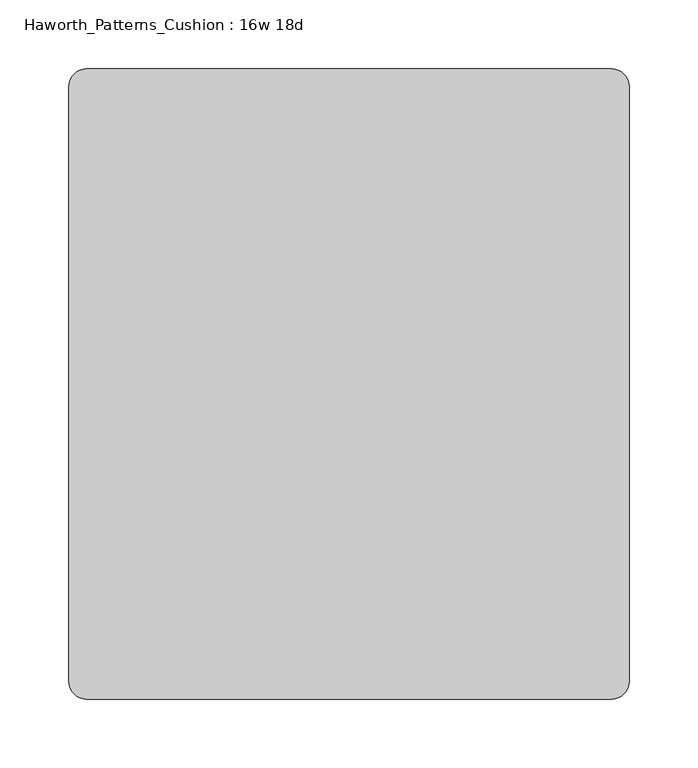
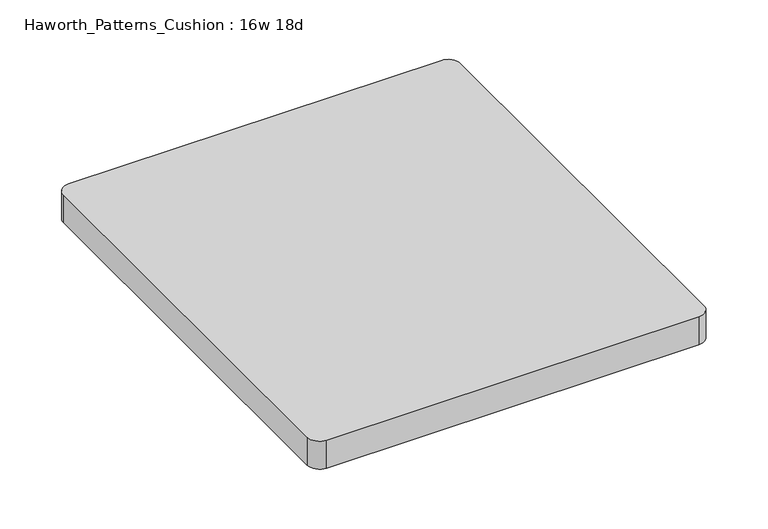
"""IFC4 building model written with IfcOpenShell, lengths in millimetres: furniture geometry, Haworth_Patterns_Cushion : 16w 18d."""

from ifc_helpers import new_model, si_unit, point, frame, frame_2d, origin, place, context, project, spatial, polyline, circle_curve, trimmed, segment, composite_curve, outline, extrude, source, transform, mapped, element, save


def haworth_patterns_cushion_16w_18d_20fc81c3(model_context):
    return source(origin(), model_context, "Body", "SweptSolid", [
        extrude(outline(composite_curve([segment(trimmed(circle_curve(frame_2d((190.5, 215.9)), 12.7), [point((190.5, 228.6))], [point((203.2, 215.9))], False, "CARTESIAN"), True, "CONTINUOUS"), segment(polyline([(203.2, 215.9), (203.2, -215.9)]), True, "CONTINUOUS"), segment(trimmed(circle_curve(frame_2d((190.5, -215.9)), 12.7), [point((203.2, -215.9))], [point((190.5, -228.6))], False, "CARTESIAN"), True, "CONTINUOUS"), segment(polyline([(190.5, -228.6), (-190.5, -228.6)]), True, "CONTINUOUS"), segment(trimmed(circle_curve(frame_2d((-190.5, -215.9)), 12.7), [point((-190.5, -228.6))], [point((-203.2, -215.9))], False, "CARTESIAN"), True, "CONTINUOUS"), segment(polyline([(-203.2, -215.9), (-203.2, 215.9)]), True, "CONTINUOUS"), segment(trimmed(circle_curve(frame_2d((-190.5, 215.9)), 12.7), [point((-203.2, 215.9))], [point((-190.5, 228.6))], False, "CARTESIAN"), True, "CONTINUOUS"), segment(polyline([(-190.5, 228.6), (190.5, 228.6)]), True, "CONTINUOUS")], self_intersect=False)), frame((0.0, 0.0, 609.6), z_axis=(0.0, 0.0, 1.0), x_axis=(1.0, 0.0, 0.0)), (0.0, 0.0, 1.0), 30.1625),
    ])


if __name__ == "__main__":
    model = new_model("IFC4")
    model_context = context("Model", 3, world=origin())
    ifc_project = project(units=[si_unit("LENGTHUNIT", "METRE", prefix="MILLI")], contexts=[model_context])
    site = spatial("IfcSite", under=ifc_project)
    building = spatial("IfcBuilding", under=site)
    placement = place(None, origin())
    haworth_patterns_cushion_16w_18d_shape = haworth_patterns_cushion_16w_18d_20fc81c3(model_context)
    element("IfcFurniture", 1, ObjectType="Haworth_Patterns_Cushion : 16w 18d", at=placement, inside=building, context=model_context, shape_type="MappedRepresentation", body=[
        mapped(haworth_patterns_cushion_16w_18d_shape, transform((0.0, 0.0, 0.0), x_axis=(1.0, 0.0, 0.0), y_axis=(0.0, 1.0, 0.0), z_axis=(0.0, 0.0, 1.0))),
    ])
    save(model, "model.ifc")
